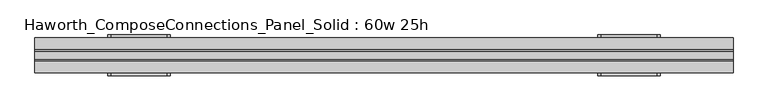
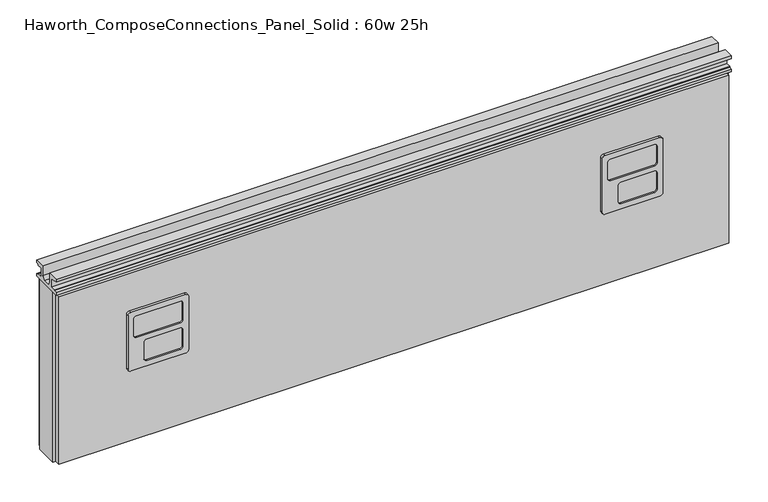
"""IFC4 building model written with IfcOpenShell, lengths in millimetres: furniture geometry, Haworth_ComposeConnections_Panel_Solid : 60w 25h."""

from ifc_helpers import new_model, si_unit, frame, origin, place, context, project, spatial, polyline, circle_curve, outline, extrude, source, transform, mapped, element, save
from ifc_brep_helpers import plane_surface, cylinder_surface, revolved_surface, advanced_brep


def haworth_composeconnections_panel_solid_60w_25h_3bed89e6(model_context):
    return source(origin(), model_context, "Body", "SolidModel", [
        advanced_brep(
        [(-594.4597098, 38.1, 546.1), (-600.8097098, 38.1, 539.75), (-600.8097098, 38.1, 412.75), (-594.4597098, 38.1, 406.4), (-470.6347098, 38.1, 406.4), (-464.2847098, 38.1, 412.75), (-464.2847098, 38.1, 539.75), (-470.6347098, 38.1, 546.1), (-594.4597098, 44.45, 546.1), (-470.6347098, 44.45, 546.1), (-464.2847098, 44.45, 539.75), (-464.2847098, 44.45, 412.75), (-470.6347098, 44.45, 406.4), (-594.4597098, 44.45, 406.4), (-600.8097098, 44.45, 412.75), (-600.8097098, 44.45, 539.75), (-581.7597098, 44.45, 533.4), (-588.1097098, 44.45, 527.05), (-588.1097098, 44.45, 488.95), (-581.7597098, 44.45, 482.6), (-483.3347098, 44.45, 482.6), (-476.9847098, 44.45, 488.95), (-476.9847098, 44.45, 527.05), (-483.3347098, 44.45, 533.4), (-581.7597098, 44.45, 469.9), (-588.1097098, 44.45, 463.55), (-588.1097098, 44.45, 425.45), (-581.7597098, 44.45, 419.1), (-507.1472098, 44.45, 419.1), (-500.7972098, 44.45, 425.45), (-500.7972098, 44.45, 463.55), (-507.1472098, 44.45, 469.9), (-581.7597098, 41.275, 533.4), (-483.3347098, 41.275, 533.4), (-476.9847098, 41.275, 527.05), (-476.9847098, 41.275, 488.95), (-483.3347098, 41.275, 482.6), (-581.7597098, 41.275, 482.6), (-588.1097098, 41.275, 488.95), (-588.1097098, 41.275, 527.05), (-581.7597098, 41.275, 469.9), (-507.1472098, 41.275, 469.9), (-500.7972098, 41.275, 463.55), (-500.7972098, 41.275, 425.45), (-507.1472098, 41.275, 419.1), (-581.7597098, 41.275, 419.1), (-588.1097098, 41.275, 425.45), (-588.1097098, 41.275, 463.55)],
        [
            (0, 1, circle_curve(frame((-594.4597098, 38.1, 539.75), z_axis=(0.0, -1.0, 0.0), x_axis=(1.0, 0.0, 0.0)), 6.35)),
            (1, 2),
            (2, 3, circle_curve(frame((-594.4597098, 38.1, 412.75), z_axis=(0.0, -1.0, 0.0), x_axis=(1.0, 0.0, 0.0)), 6.35)),
            (3, 4),
            (4, 5, circle_curve(frame((-470.6347098, 38.1, 412.75), z_axis=(0.0, -1.0, 0.0), x_axis=(1.0, 0.0, 0.0)), 6.35)),
            (5, 6),
            (6, 7, circle_curve(frame((-470.6347098, 38.1, 539.75), z_axis=(0.0, -1.0, 0.0), x_axis=(1.0, 0.0, 0.0)), 6.35)),
            (7, 0),
            (8, 9),
            (9, 10, circle_curve(frame((-470.6347098, 44.45, 539.75), z_axis=(0.0, 1.0, 0.0), x_axis=(1.0, 0.0, 0.0)), 6.35)),
            (10, 11),
            (11, 12, circle_curve(frame((-470.6347098, 44.45, 412.75), z_axis=(0.0, 1.0, 0.0), x_axis=(1.0, 0.0, 0.0)), 6.35)),
            (12, 13),
            (13, 14, circle_curve(frame((-594.4597098, 44.45, 412.75), z_axis=(0.0, 1.0, 0.0), x_axis=(1.0, 0.0, 0.0)), 6.35)),
            (14, 15),
            (15, 8, circle_curve(frame((-594.4597098, 44.45, 539.75), z_axis=(0.0, 1.0, 0.0), x_axis=(1.0, 0.0, 0.0)), 6.35)),
            (16, 17, circle_curve(frame((-581.7597098, 44.45, 527.05), z_axis=(0.0, -1.0, 0.0), x_axis=(1.0, 0.0, 0.0)), 6.35)),
            (17, 18),
            (18, 19, circle_curve(frame((-581.7597098, 44.45, 488.95), z_axis=(0.0, -1.0, 0.0), x_axis=(1.0, 0.0, 0.0)), 6.35)),
            (19, 20),
            (20, 21, circle_curve(frame((-483.3347098, 44.45, 488.95), z_axis=(0.0, -1.0, 0.0), x_axis=(1.0, 0.0, 0.0)), 6.35)),
            (21, 22),
            (22, 23, circle_curve(frame((-483.3347098, 44.45, 527.05), z_axis=(0.0, -1.0, 0.0), x_axis=(1.0, 0.0, 0.0)), 6.35)),
            (23, 16),
            (24, 25, circle_curve(frame((-581.7597098, 44.45, 463.55), z_axis=(0.0, -1.0, 0.0), x_axis=(1.0, 0.0, 0.0)), 6.35)),
            (25, 26),
            (26, 27, circle_curve(frame((-581.7597098, 44.45, 425.45), z_axis=(0.0, -1.0, 0.0), x_axis=(1.0, 0.0, 0.0)), 6.35)),
            (27, 28),
            (28, 29, circle_curve(frame((-507.1472098, 44.45, 425.45), z_axis=(0.0, -1.0, 0.0), x_axis=(1.0, 0.0, 0.0)), 6.35)),
            (29, 30),
            (30, 31, circle_curve(frame((-507.1472098, 44.45, 463.55), z_axis=(0.0, -1.0, 0.0), x_axis=(1.0, 0.0, 0.0)), 6.35)),
            (31, 24),
            (0, 8),
            (15, 1),
            (14, 2),
            (13, 3),
            (12, 4),
            (11, 5),
            (10, 6),
            (9, 7),
            (32, 33),
            (33, 34, circle_curve(frame((-483.3347098, 41.275, 527.05), z_axis=(0.0, 1.0, 0.0), x_axis=(1.0, 0.0, 0.0)), 6.35)),
            (34, 35),
            (35, 36, circle_curve(frame((-483.3347098, 41.275, 488.95), z_axis=(0.0, 1.0, 0.0), x_axis=(1.0, 0.0, 0.0)), 6.35)),
            (36, 37),
            (37, 38, circle_curve(frame((-581.7597098, 41.275, 488.95), z_axis=(0.0, 1.0, 0.0), x_axis=(1.0, 0.0, 0.0)), 6.35)),
            (38, 39),
            (39, 32, circle_curve(frame((-581.7597098, 41.275, 527.05), z_axis=(0.0, 1.0, 0.0), x_axis=(1.0, 0.0, 0.0)), 6.35)),
            (40, 41),
            (41, 42, circle_curve(frame((-507.1472098, 41.275, 463.55), z_axis=(0.0, 1.0, 0.0), x_axis=(1.0, 0.0, 0.0)), 6.35)),
            (42, 43),
            (43, 44, circle_curve(frame((-507.1472098, 41.275, 425.45), z_axis=(0.0, 1.0, 0.0), x_axis=(1.0, 0.0, 0.0)), 6.35)),
            (44, 45),
            (45, 46, circle_curve(frame((-581.7597098, 41.275, 425.45), z_axis=(0.0, 1.0, 0.0), x_axis=(1.0, 0.0, 0.0)), 6.35)),
            (46, 47),
            (47, 40, circle_curve(frame((-581.7597098, 41.275, 463.55), z_axis=(0.0, 1.0, 0.0), x_axis=(1.0, 0.0, 0.0)), 6.35)),
            (39, 17),
            (16, 32),
            (38, 18),
            (37, 19),
            (36, 20),
            (35, 21),
            (34, 22),
            (33, 23),
            (47, 25),
            (24, 40),
            (46, 26),
            (45, 27),
            (44, 28),
            (43, 29),
            (42, 30),
            (41, 31),
        ],
        [
            plane_surface(frame((-588.1097098, 38.1, 539.75), z_axis=(0.0, -1.0, 0.0), x_axis=(0.0, 0.0, 1.0))),
            plane_surface(frame((-588.1097098, 44.45, 539.75), z_axis=(0.0, 1.0, 0.0), x_axis=(0.0, 0.0, -1.0))),
            cylinder_surface(frame((-594.4597098, 44.45, 539.75), z_axis=(0.0, -1.0, 0.0), x_axis=(1.0, 0.0, 0.0)), 6.35),
            plane_surface(frame((-600.8097098, 38.1, 539.75), z_axis=(-1.0, 0.0, 0.0), x_axis=(0.0, 1.0, 0.0))),
            cylinder_surface(frame((-594.4597098, 44.45, 412.75), z_axis=(0.0, -1.0, 0.0), x_axis=(1.0, 0.0, 0.0)), 6.35),
            plane_surface(frame((-594.4597098, 38.1, 406.4), z_axis=(0.0, 0.0, -1.0), x_axis=(0.0, 1.0, 0.0))),
            cylinder_surface(frame((-470.6347098, 44.45, 412.75), z_axis=(0.0, -1.0, 0.0), x_axis=(1.0, 0.0, 0.0)), 6.35),
            plane_surface(frame((-464.2847098, 38.1, 412.75), z_axis=(1.0, 0.0, 0.0), x_axis=(0.0, 1.0, 0.0))),
            cylinder_surface(frame((-470.6347098, 44.45, 539.75), z_axis=(0.0, -1.0, 0.0), x_axis=(1.0, 0.0, 0.0)), 6.35),
            plane_surface(frame((-470.6347098, 38.1, 546.1), z_axis=(0.0, 0.0, 1.0), x_axis=(0.0, 1.0, 0.0))),
            plane_surface(frame((-575.4097098, 41.275, 527.05), z_axis=(0.0, 1.0, 0.0), x_axis=(0.0, 0.0, 1.0))),
            revolved_surface(polyline([(-575.4097098, 41.275, 527.05), (-575.4097098, 44.45, 527.05)]), (-581.7597098, 44.45, 527.05), (0.0, -1.0, 0.0)),
            plane_surface(frame((-588.1097098, 41.275, 527.05), z_axis=(1.0, 0.0, 0.0), x_axis=(0.0, 1.0, 0.0))),
            revolved_surface(polyline([(-575.4097098, 41.275, 488.95), (-575.4097098, 44.45, 488.95)]), (-581.7597098, 44.45, 488.95), (0.0, -1.0, 0.0)),
            plane_surface(frame((-581.7597098, 41.275, 482.6), z_axis=(0.0, 0.0, 1.0), x_axis=(0.0, 1.0, 0.0))),
            revolved_surface(polyline([(-476.98470979999996, 41.275, 488.95), (-476.98470979999996, 44.45, 488.95)]), (-483.3347098, 44.45, 488.95), (0.0, -1.0, 0.0)),
            plane_surface(frame((-476.9847098, 41.275, 488.95), z_axis=(-1.0, 0.0, 0.0), x_axis=(0.0, 1.0, 0.0))),
            revolved_surface(polyline([(-476.98470979999996, 41.275, 527.05), (-476.98470979999996, 44.45, 527.05)]), (-483.3347098, 44.45, 527.05), (0.0, -1.0, 0.0)),
            plane_surface(frame((-483.3347098, 41.275, 533.4), z_axis=(0.0, 0.0, -1.0), x_axis=(0.0, 1.0, 0.0))),
            revolved_surface(polyline([(-575.4097098, 41.275, 463.55), (-575.4097098, 44.45, 463.55)]), (-581.7597098, 44.45, 463.55), (0.0, -1.0, 0.0)),
            plane_surface(frame((-588.1097098, 41.275, 463.55), z_axis=(1.0, 0.0, 0.0), x_axis=(0.0, 1.0, 0.0))),
            revolved_surface(polyline([(-575.4097098, 41.275, 425.45), (-575.4097098, 44.45, 425.45)]), (-581.7597098, 44.45, 425.45), (0.0, -1.0, 0.0)),
            plane_surface(frame((-581.7597098, 41.275, 419.1), z_axis=(0.0, 0.0, 1.0), x_axis=(0.0, 1.0, 0.0))),
            revolved_surface(polyline([(-500.79720979999996, 41.275, 425.45), (-500.79720979999996, 44.45, 425.45)]), (-507.1472098, 44.45, 425.45), (0.0, -1.0, 0.0)),
            plane_surface(frame((-500.7972098, 41.275, 425.45), z_axis=(-1.0, 0.0, 0.0), x_axis=(0.0, 1.0, 0.0))),
            revolved_surface(polyline([(-500.79720979999996, 41.275, 463.55), (-500.79720979999996, 44.45, 463.55)]), (-507.1472098, 44.45, 463.55), (0.0, -1.0, 0.0)),
            plane_surface(frame((-507.1472098, 41.275, 469.9), z_axis=(0.0, 0.0, -1.0), x_axis=(0.0, 1.0, 0.0))),
        ],
        [
            (0, [[1, 2, 3, 4, 5, 6, 7, 8]]),
            (1, [[9, 10, 11, 12, 13, 14, 15, 16], [17, 18, 19, 20, 21, 22, 23, 24], [25, 26, 27, 28, 29, 30, 31, 32]]),
            (2, [[-1, 33, -16, 34]]),
            (3, [[-2, -34, -15, 35]]),
            (4, [[-3, -35, -14, 36]]),
            (5, [[-4, -36, -13, 37]]),
            (6, [[-5, -37, -12, 38]]),
            (7, [[-6, -38, -11, 39]]),
            (8, [[-7, -39, -10, 40]]),
            (9, [[-8, -40, -9, -33]]),
            (10, [[41, 42, 43, 44, 45, 46, 47, 48]]),
            (10, [[49, 50, 51, 52, 53, 54, 55, 56]]),
            (11, [[-48, 57, -17, 58]]),
            (12, [[-47, 59, -18, -57]]),
            (13, [[-46, 60, -19, -59]]),
            (14, [[-45, 61, -20, -60]]),
            (15, [[-44, 62, -21, -61]]),
            (16, [[-43, 63, -22, -62]]),
            (17, [[-42, 64, -23, -63]]),
            (18, [[-41, -58, -24, -64]]),
            (19, [[-56, 65, -25, 66]]),
            (20, [[-55, 67, -26, -65]]),
            (21, [[-54, 68, -27, -67]]),
            (22, [[-53, 69, -28, -68]]),
            (23, [[-52, 70, -29, -69]]),
            (24, [[-51, 71, -30, -70]]),
            (25, [[-50, 72, -31, -71]]),
            (26, [[-49, -66, -32, -72]]),
        ],
    ),
        advanced_brep(
        [(475.5152902, 38.1, 546.1), (469.1652902, 38.1, 539.75), (469.1652902, 38.1, 412.75), (475.5152902, 38.1, 406.4), (599.3402902, 38.1, 406.4), (605.6902902, 38.1, 412.75), (605.6902902, 38.1, 539.75), (599.3402902, 38.1, 546.1), (475.5152902, 44.45, 546.1), (599.3402902, 44.45, 546.1), (605.6902902, 44.45, 539.75), (605.6902902, 44.45, 412.75), (599.3402902, 44.45, 406.4), (475.5152902, 44.45, 406.4), (469.1652902, 44.45, 412.75), (469.1652902, 44.45, 539.75), (488.2152902, 44.45, 533.4), (481.8652902, 44.45, 527.05), (481.8652902, 44.45, 488.95), (488.2152902, 44.45, 482.6), (586.6402902, 44.45, 482.6), (592.9902902, 44.45, 488.95), (592.9902902, 44.45, 527.05), (586.6402902, 44.45, 533.4), (488.2152902, 44.45, 469.9), (481.8652902, 44.45, 463.55), (481.8652902, 44.45, 425.45), (488.2152902, 44.45, 419.1), (562.8277902, 44.45, 419.1), (569.1777902, 44.45, 425.45), (569.1777902, 44.45, 463.55), (562.8277902, 44.45, 469.9), (488.2152902, 41.275, 533.4), (586.6402902, 41.275, 533.4), (592.9902902, 41.275, 527.05), (592.9902902, 41.275, 488.95), (586.6402902, 41.275, 482.6), (488.2152902, 41.275, 482.6), (481.8652902, 41.275, 488.95), (481.8652902, 41.275, 527.05), (488.2152902, 41.275, 469.9), (562.8277902, 41.275, 469.9), (569.1777902, 41.275, 463.55), (569.1777902, 41.275, 425.45), (562.8277902, 41.275, 419.1), (488.2152902, 41.275, 419.1), (481.8652902, 41.275, 425.45), (481.8652902, 41.275, 463.55)],
        [
            (0, 1, circle_curve(frame((475.5152902, 38.1, 539.75), z_axis=(0.0, -1.0, 0.0), x_axis=(1.0, 0.0, 0.0)), 6.35)),
            (1, 2),
            (2, 3, circle_curve(frame((475.5152902, 38.1, 412.75), z_axis=(0.0, -1.0, 0.0), x_axis=(1.0, 0.0, 0.0)), 6.35)),
            (3, 4),
            (4, 5, circle_curve(frame((599.3402902, 38.1, 412.75), z_axis=(0.0, -1.0, 0.0), x_axis=(1.0, 0.0, 0.0)), 6.35)),
            (5, 6),
            (6, 7, circle_curve(frame((599.3402902, 38.1, 539.75), z_axis=(0.0, -1.0, 0.0), x_axis=(1.0, 0.0, 0.0)), 6.35)),
            (7, 0),
            (8, 9),
            (9, 10, circle_curve(frame((599.3402902, 44.45, 539.75), z_axis=(0.0, 1.0, 0.0), x_axis=(1.0, 0.0, 0.0)), 6.35)),
            (10, 11),
            (11, 12, circle_curve(frame((599.3402902, 44.45, 412.75), z_axis=(0.0, 1.0, 0.0), x_axis=(1.0, 0.0, 0.0)), 6.35)),
            (12, 13),
            (13, 14, circle_curve(frame((475.5152902, 44.45, 412.75), z_axis=(0.0, 1.0, 0.0), x_axis=(1.0, 0.0, 0.0)), 6.35)),
            (14, 15),
            (15, 8, circle_curve(frame((475.5152902, 44.45, 539.75), z_axis=(0.0, 1.0, 0.0), x_axis=(1.0, 0.0, 0.0)), 6.35)),
            (16, 17, circle_curve(frame((488.2152902, 44.45, 527.05), z_axis=(0.0, -1.0, 0.0), x_axis=(1.0, 0.0, 0.0)), 6.35)),
            (17, 18),
            (18, 19, circle_curve(frame((488.2152902, 44.45, 488.95), z_axis=(0.0, -1.0, 0.0), x_axis=(1.0, 0.0, 0.0)), 6.35)),
            (19, 20),
            (20, 21, circle_curve(frame((586.6402902, 44.45, 488.95), z_axis=(0.0, -1.0, 0.0), x_axis=(1.0, 0.0, 0.0)), 6.35)),
            (21, 22),
            (22, 23, circle_curve(frame((586.6402902, 44.45, 527.05), z_axis=(0.0, -1.0, 0.0), x_axis=(1.0, 0.0, 0.0)), 6.35)),
            (23, 16),
            (24, 25, circle_curve(frame((488.2152902, 44.45, 463.55), z_axis=(0.0, -1.0, 0.0), x_axis=(1.0, 0.0, 0.0)), 6.35)),
            (25, 26),
            (26, 27, circle_curve(frame((488.2152902, 44.45, 425.45), z_axis=(0.0, -1.0, 0.0), x_axis=(1.0, 0.0, 0.0)), 6.35)),
            (27, 28),
            (28, 29, circle_curve(frame((562.8277902, 44.45, 425.45), z_axis=(0.0, -1.0, 0.0), x_axis=(1.0, 0.0, 0.0)), 6.35)),
            (29, 30),
            (30, 31, circle_curve(frame((562.8277902, 44.45, 463.55), z_axis=(0.0, -1.0, 0.0), x_axis=(1.0, 0.0, 0.0)), 6.35)),
            (31, 24),
            (0, 8),
            (15, 1),
            (14, 2),
            (13, 3),
            (12, 4),
            (11, 5),
            (10, 6),
            (9, 7),
            (32, 33),
            (33, 34, circle_curve(frame((586.6402902, 41.275, 527.05), z_axis=(0.0, 1.0, 0.0), x_axis=(1.0, 0.0, 0.0)), 6.35)),
            (34, 35),
            (35, 36, circle_curve(frame((586.6402902, 41.275, 488.95), z_axis=(0.0, 1.0, 0.0), x_axis=(1.0, 0.0, 0.0)), 6.35)),
            (36, 37),
            (37, 38, circle_curve(frame((488.2152902, 41.275, 488.95), z_axis=(0.0, 1.0, 0.0), x_axis=(1.0, 0.0, 0.0)), 6.35)),
            (38, 39),
            (39, 32, circle_curve(frame((488.2152902, 41.275, 527.05), z_axis=(0.0, 1.0, 0.0), x_axis=(1.0, 0.0, 0.0)), 6.35)),
            (40, 41),
            (41, 42, circle_curve(frame((562.8277902, 41.275, 463.55), z_axis=(0.0, 1.0, 0.0), x_axis=(1.0, 0.0, 0.0)), 6.35)),
            (42, 43),
            (43, 44, circle_curve(frame((562.8277902, 41.275, 425.45), z_axis=(0.0, 1.0, 0.0), x_axis=(1.0, 0.0, 0.0)), 6.35)),
            (44, 45),
            (45, 46, circle_curve(frame((488.2152902, 41.275, 425.45), z_axis=(0.0, 1.0, 0.0), x_axis=(1.0, 0.0, 0.0)), 6.35)),
            (46, 47),
            (47, 40, circle_curve(frame((488.2152902, 41.275, 463.55), z_axis=(0.0, 1.0, 0.0), x_axis=(1.0, 0.0, 0.0)), 6.35)),
            (39, 17),
            (16, 32),
            (38, 18),
            (37, 19),
            (36, 20),
            (35, 21),
            (34, 22),
            (33, 23),
            (47, 25),
            (24, 40),
            (46, 26),
            (45, 27),
            (44, 28),
            (43, 29),
            (42, 30),
            (41, 31),
        ],
        [
            plane_surface(frame((481.8652902, 38.1, 539.75), z_axis=(0.0, -1.0, 0.0), x_axis=(0.0, 0.0, 1.0))),
            plane_surface(frame((481.8652902, 44.45, 539.75), z_axis=(0.0, 1.0, 0.0), x_axis=(0.0, 0.0, -1.0))),
            cylinder_surface(frame((475.5152902, 44.45, 539.75), z_axis=(0.0, -1.0, 0.0), x_axis=(1.0, 0.0, 0.0)), 6.35),
            plane_surface(frame((469.1652902, 38.1, 539.75), z_axis=(-1.0, 0.0, 0.0), x_axis=(0.0, 1.0, 0.0))),
            cylinder_surface(frame((475.5152902, 44.45, 412.75), z_axis=(0.0, -1.0, 0.0), x_axis=(1.0, 0.0, 0.0)), 6.35),
            plane_surface(frame((475.5152902, 38.1, 406.4), z_axis=(0.0, 0.0, -1.0), x_axis=(0.0, 1.0, 0.0))),
            cylinder_surface(frame((599.3402902, 44.45, 412.75), z_axis=(0.0, -1.0, 0.0), x_axis=(1.0, 0.0, 0.0)), 6.35),
            plane_surface(frame((605.6902902, 38.1, 412.75), z_axis=(1.0, 0.0, 0.0), x_axis=(0.0, 1.0, 0.0))),
            cylinder_surface(frame((599.3402902, 44.45, 539.75), z_axis=(0.0, -1.0, 0.0), x_axis=(1.0, 0.0, 0.0)), 6.35),
            plane_surface(frame((599.3402902, 38.1, 546.1), z_axis=(0.0, 0.0, 1.0), x_axis=(0.0, 1.0, 0.0))),
            plane_surface(frame((494.5652902, 41.275, 527.05), z_axis=(0.0, 1.0, 0.0), x_axis=(0.0, 0.0, 1.0))),
            revolved_surface(polyline([(494.56529020000005, 41.275, 527.05), (494.56529020000005, 44.45, 527.05)]), (488.2152902, 44.45, 527.05), (0.0, -1.0, 0.0)),
            plane_surface(frame((481.8652902, 41.275, 527.05), z_axis=(1.0, 0.0, 0.0), x_axis=(0.0, 1.0, 0.0))),
            revolved_surface(polyline([(494.56529020000005, 41.275, 488.95), (494.56529020000005, 44.45, 488.95)]), (488.2152902, 44.45, 488.95), (0.0, -1.0, 0.0)),
            plane_surface(frame((488.2152902, 41.275, 482.6), z_axis=(0.0, 0.0, 1.0), x_axis=(0.0, 1.0, 0.0))),
            revolved_surface(polyline([(592.9902902, 41.275, 488.95), (592.9902902, 44.45, 488.95)]), (586.6402902, 44.45, 488.95), (0.0, -1.0, 0.0)),
            plane_surface(frame((592.9902902, 41.275, 488.95), z_axis=(-1.0, 0.0, 0.0), x_axis=(0.0, 1.0, 0.0))),
            revolved_surface(polyline([(592.9902902, 41.275, 527.05), (592.9902902, 44.45, 527.05)]), (586.6402902, 44.45, 527.05), (0.0, -1.0, 0.0)),
            plane_surface(frame((586.6402902, 41.275, 533.4), z_axis=(0.0, 0.0, -1.0), x_axis=(0.0, 1.0, 0.0))),
            revolved_surface(polyline([(494.56529020000005, 41.275, 463.55), (494.56529020000005, 44.45, 463.55)]), (488.2152902, 44.45, 463.55), (0.0, -1.0, 0.0)),
            plane_surface(frame((481.8652902, 41.275, 463.55), z_axis=(1.0, 0.0, 0.0), x_axis=(0.0, 1.0, 0.0))),
            revolved_surface(polyline([(494.56529020000005, 41.275, 425.45), (494.56529020000005, 44.45, 425.45)]), (488.2152902, 44.45, 425.45), (0.0, -1.0, 0.0)),
            plane_surface(frame((488.2152902, 41.275, 419.1), z_axis=(0.0, 0.0, 1.0), x_axis=(0.0, 1.0, 0.0))),
            revolved_surface(polyline([(569.1777902, 41.275, 425.45), (569.1777902, 44.45, 425.45)]), (562.8277902, 44.45, 425.45), (0.0, -1.0, 0.0)),
            plane_surface(frame((569.1777902, 41.275, 425.45), z_axis=(-1.0, 0.0, 0.0), x_axis=(0.0, 1.0, 0.0))),
            revolved_surface(polyline([(569.1777902, 41.275, 463.55), (569.1777902, 44.45, 463.55)]), (562.8277902, 44.45, 463.55), (0.0, -1.0, 0.0)),
            plane_surface(frame((562.8277902, 41.275, 469.9), z_axis=(0.0, 0.0, -1.0), x_axis=(0.0, 1.0, 0.0))),
        ],
        [
            (0, [[1, 2, 3, 4, 5, 6, 7, 8]]),
            (1, [[9, 10, 11, 12, 13, 14, 15, 16], [17, 18, 19, 20, 21, 22, 23, 24], [25, 26, 27, 28, 29, 30, 31, 32]]),
            (2, [[-1, 33, -16, 34]]),
            (3, [[-2, -34, -15, 35]]),
            (4, [[-3, -35, -14, 36]]),
            (5, [[-4, -36, -13, 37]]),
            (6, [[-5, -37, -12, 38]]),
            (7, [[-6, -38, -11, 39]]),
            (8, [[-7, -39, -10, 40]]),
            (9, [[-8, -40, -9, -33]]),
            (10, [[41, 42, 43, 44, 45, 46, 47, 48]]),
            (10, [[49, 50, 51, 52, 53, 54, 55, 56]]),
            (11, [[-48, 57, -17, 58]]),
            (12, [[-47, 59, -18, -57]]),
            (13, [[-46, 60, -19, -59]]),
            (14, [[-45, 61, -20, -60]]),
            (15, [[-44, 62, -21, -61]]),
            (16, [[-43, 63, -22, -62]]),
            (17, [[-42, 64, -23, -63]]),
            (18, [[-41, -58, -24, -64]]),
            (19, [[-56, 65, -25, 66]]),
            (20, [[-55, 67, -26, -65]]),
            (21, [[-54, 68, -27, -67]]),
            (22, [[-53, 69, -28, -68]]),
            (23, [[-52, 70, -29, -69]]),
            (24, [[-51, 71, -30, -70]]),
            (25, [[-50, 72, -31, -71]]),
            (26, [[-49, -66, -32, -72]]),
        ],
    ),
        advanced_brep(
        [(-470.6347098, -38.1, 546.1), (-464.2847098, -38.1, 539.75), (-464.2847098, -38.1, 412.75), (-470.6347098, -38.1, 406.4), (-594.4597098, -38.1, 406.4), (-600.8097098, -38.1, 412.75), (-600.8097098, -38.1, 539.75), (-594.4597098, -38.1, 546.1), (-470.6347098, -44.45, 546.1), (-594.4597098, -44.45, 546.1), (-600.8097098, -44.45, 539.75), (-600.8097098, -44.45, 412.75), (-594.4597098, -44.45, 406.4), (-470.6347098, -44.45, 406.4), (-464.2847098, -44.45, 412.75), (-464.2847098, -44.45, 539.75), (-483.3347098, -44.45, 533.4), (-476.9847098, -44.45, 527.05), (-476.9847098, -44.45, 488.95), (-483.3347098, -44.45, 482.6), (-581.7597098, -44.45, 482.6), (-588.1097098, -44.45, 488.95), (-588.1097098, -44.45, 527.05), (-581.7597098, -44.45, 533.4), (-483.3347098, -44.45, 469.9), (-476.9847098, -44.45, 463.55), (-476.9847098, -44.45, 425.45), (-483.3347098, -44.45, 419.1), (-557.9472098, -44.45, 419.1), (-564.2972098, -44.45, 425.45), (-564.2972098, -44.45, 463.55), (-557.9472098, -44.45, 469.9), (-483.3347098, -41.275, 533.4), (-581.7597098, -41.275, 533.4), (-588.1097098, -41.275, 527.05), (-588.1097098, -41.275, 488.95), (-581.7597098, -41.275, 482.6), (-483.3347098, -41.275, 482.6), (-476.9847098, -41.275, 488.95), (-476.9847098, -41.275, 527.05), (-483.3347098, -41.275, 469.9), (-557.9472098, -41.275, 469.9), (-564.2972098, -41.275, 463.55), (-564.2972098, -41.275, 425.45), (-557.9472098, -41.275, 419.1), (-483.3347098, -41.275, 419.1), (-476.9847098, -41.275, 425.45), (-476.9847098, -41.275, 463.55)],
        [
            (0, 1, circle_curve(frame((-470.6347098, -38.1, 539.75), z_axis=(0.0, 1.0, 0.0), x_axis=(-1.0, 0.0, 0.0)), 6.35)),
            (1, 2),
            (2, 3, circle_curve(frame((-470.6347098, -38.1, 412.75), z_axis=(0.0, 1.0, 0.0), x_axis=(-1.0, 0.0, 0.0)), 6.35)),
            (3, 4),
            (4, 5, circle_curve(frame((-594.4597098, -38.1, 412.75), z_axis=(0.0, 1.0, 0.0), x_axis=(-1.0, 0.0, 0.0)), 6.35)),
            (5, 6),
            (6, 7, circle_curve(frame((-594.4597098, -38.1, 539.75), z_axis=(0.0, 1.0, 0.0), x_axis=(-1.0, 0.0, 0.0)), 6.35)),
            (7, 0),
            (8, 9),
            (9, 10, circle_curve(frame((-594.4597098, -44.45, 539.75), z_axis=(0.0, -1.0, 0.0), x_axis=(-1.0, 0.0, 0.0)), 6.35)),
            (10, 11),
            (11, 12, circle_curve(frame((-594.4597098, -44.45, 412.75), z_axis=(0.0, -1.0, 0.0), x_axis=(-1.0, 0.0, 0.0)), 6.35)),
            (12, 13),
            (13, 14, circle_curve(frame((-470.6347098, -44.45, 412.75), z_axis=(0.0, -1.0, 0.0), x_axis=(-1.0, 0.0, 0.0)), 6.35)),
            (14, 15),
            (15, 8, circle_curve(frame((-470.6347098, -44.45, 539.75), z_axis=(0.0, -1.0, 0.0), x_axis=(-1.0, 0.0, 0.0)), 6.35)),
            (16, 17, circle_curve(frame((-483.3347098, -44.45, 527.05), z_axis=(0.0, 1.0, 0.0), x_axis=(-1.0, 0.0, 0.0)), 6.35)),
            (17, 18),
            (18, 19, circle_curve(frame((-483.3347098, -44.45, 488.95), z_axis=(0.0, 1.0, 0.0), x_axis=(-1.0, 0.0, 0.0)), 6.35)),
            (19, 20),
            (20, 21, circle_curve(frame((-581.7597098, -44.45, 488.95), z_axis=(0.0, 1.0, 0.0), x_axis=(-1.0, 0.0, 0.0)), 6.35)),
            (21, 22),
            (22, 23, circle_curve(frame((-581.7597098, -44.45, 527.05), z_axis=(0.0, 1.0, 0.0), x_axis=(-1.0, 0.0, 0.0)), 6.35)),
            (23, 16),
            (24, 25, circle_curve(frame((-483.3347098, -44.45, 463.55), z_axis=(0.0, 1.0, 0.0), x_axis=(-1.0, 0.0, 0.0)), 6.35)),
            (25, 26),
            (26, 27, circle_curve(frame((-483.3347098, -44.45, 425.45), z_axis=(0.0, 1.0, 0.0), x_axis=(-1.0, 0.0, 0.0)), 6.35)),
            (27, 28),
            (28, 29, circle_curve(frame((-557.9472098, -44.45, 425.45), z_axis=(0.0, 1.0, 0.0), x_axis=(-1.0, 0.0, 0.0)), 6.35)),
            (29, 30),
            (30, 31, circle_curve(frame((-557.9472098, -44.45, 463.55), z_axis=(0.0, 1.0, 0.0), x_axis=(-1.0, 0.0, 0.0)), 6.35)),
            (31, 24),
            (0, 8),
            (15, 1),
            (14, 2),
            (13, 3),
            (12, 4),
            (11, 5),
            (10, 6),
            (9, 7),
            (32, 33),
            (33, 34, circle_curve(frame((-581.7597098, -41.275, 527.05), z_axis=(0.0, -1.0, 0.0), x_axis=(-1.0, 0.0, 0.0)), 6.35)),
            (34, 35),
            (35, 36, circle_curve(frame((-581.7597098, -41.275, 488.95), z_axis=(0.0, -1.0, 0.0), x_axis=(-1.0, 0.0, 0.0)), 6.35)),
            (36, 37),
            (37, 38, circle_curve(frame((-483.3347098, -41.275, 488.95), z_axis=(0.0, -1.0, 0.0), x_axis=(-1.0, 0.0, 0.0)), 6.35)),
            (38, 39),
            (39, 32, circle_curve(frame((-483.3347098, -41.275, 527.05), z_axis=(0.0, -1.0, 0.0), x_axis=(-1.0, 0.0, 0.0)), 6.35)),
            (40, 41),
            (41, 42, circle_curve(frame((-557.9472098, -41.275, 463.55), z_axis=(0.0, -1.0, 0.0), x_axis=(-1.0, 0.0, 0.0)), 6.35)),
            (42, 43),
            (43, 44, circle_curve(frame((-557.9472098, -41.275, 425.45), z_axis=(0.0, -1.0, 0.0), x_axis=(-1.0, 0.0, 0.0)), 6.35)),
            (44, 45),
            (45, 46, circle_curve(frame((-483.3347098, -41.275, 425.45), z_axis=(0.0, -1.0, 0.0), x_axis=(-1.0, 0.0, 0.0)), 6.35)),
            (46, 47),
            (47, 40, circle_curve(frame((-483.3347098, -41.275, 463.55), z_axis=(0.0, -1.0, 0.0), x_axis=(-1.0, 0.0, 0.0)), 6.35)),
            (39, 17),
            (16, 32),
            (38, 18),
            (37, 19),
            (36, 20),
            (35, 21),
            (34, 22),
            (33, 23),
            (47, 25),
            (24, 40),
            (46, 26),
            (45, 27),
            (44, 28),
            (43, 29),
            (42, 30),
            (41, 31),
        ],
        [
            plane_surface(frame((-476.9847098, -38.1, 539.75), z_axis=(0.0, 1.0, 0.0), x_axis=(0.0, 0.0, 1.0))),
            plane_surface(frame((-476.9847098, -44.45, 539.75), z_axis=(0.0, -1.0, 0.0), x_axis=(0.0, 0.0, -1.0))),
            cylinder_surface(frame((-470.6347098, -44.45, 539.75), z_axis=(0.0, 1.0, 0.0), x_axis=(-1.0, 0.0, 0.0)), 6.35),
            plane_surface(frame((-464.2847098, -38.1, 539.75), z_axis=(1.0, 0.0, 0.0), x_axis=(0.0, -1.0, 0.0))),
            cylinder_surface(frame((-470.6347098, -44.45, 412.75), z_axis=(0.0, 1.0, 0.0), x_axis=(-1.0, 0.0, 0.0)), 6.35),
            plane_surface(frame((-470.6347098, -38.1, 406.4), z_axis=(0.0, 0.0, -1.0), x_axis=(0.0, -1.0, 0.0))),
            cylinder_surface(frame((-594.4597098, -44.45, 412.75), z_axis=(0.0, 1.0, 0.0), x_axis=(-1.0, 0.0, 0.0)), 6.35),
            plane_surface(frame((-600.8097098, -38.1, 412.75), z_axis=(-1.0, 0.0, 0.0), x_axis=(0.0, -1.0, 0.0))),
            cylinder_surface(frame((-594.4597098, -44.45, 539.75), z_axis=(0.0, 1.0, 0.0), x_axis=(-1.0, 0.0, 0.0)), 6.35),
            plane_surface(frame((-594.4597098, -38.1, 546.1), z_axis=(0.0, 0.0, 1.0), x_axis=(0.0, -1.0, 0.0))),
            plane_surface(frame((-489.6847098, -41.275, 527.05), z_axis=(0.0, -1.0, 0.0), x_axis=(0.0, 0.0, 1.0))),
            revolved_surface(polyline([(-489.6847098, -41.275, 527.05), (-489.6847098, -44.45, 527.05)]), (-483.3347098, -44.45, 527.05), (0.0, 1.0, 0.0)),
            plane_surface(frame((-476.9847098, -41.275, 527.05), z_axis=(-1.0, 0.0, 0.0), x_axis=(0.0, -1.0, 0.0))),
            revolved_surface(polyline([(-489.6847098, -41.275, 488.95), (-489.6847098, -44.45, 488.95)]), (-483.3347098, -44.45, 488.95), (0.0, 1.0, 0.0)),
            plane_surface(frame((-483.3347098, -41.275, 482.6), z_axis=(0.0, 0.0, 1.0), x_axis=(0.0, -1.0, 0.0))),
            revolved_surface(polyline([(-588.1097098, -41.275, 488.95), (-588.1097098, -44.45, 488.95)]), (-581.7597098, -44.45, 488.95), (0.0, 1.0, 0.0)),
            plane_surface(frame((-588.1097098, -41.275, 488.95), z_axis=(1.0, 0.0, 0.0), x_axis=(0.0, -1.0, 0.0))),
            revolved_surface(polyline([(-588.1097098, -41.275, 527.05), (-588.1097098, -44.45, 527.05)]), (-581.7597098, -44.45, 527.05), (0.0, 1.0, 0.0)),
            plane_surface(frame((-581.7597098, -41.275, 533.4), z_axis=(0.0, 0.0, -1.0), x_axis=(0.0, -1.0, 0.0))),
            revolved_surface(polyline([(-489.6847098, -41.275, 463.55), (-489.6847098, -44.45, 463.55)]), (-483.3347098, -44.45, 463.55), (0.0, 1.0, 0.0)),
            plane_surface(frame((-476.9847098, -41.275, 463.55), z_axis=(-1.0, 0.0, 0.0), x_axis=(0.0, -1.0, 0.0))),
            revolved_surface(polyline([(-489.6847098, -41.275, 425.45), (-489.6847098, -44.45, 425.45)]), (-483.3347098, -44.45, 425.45), (0.0, 1.0, 0.0)),
            plane_surface(frame((-483.3347098, -41.275, 419.1), z_axis=(0.0, 0.0, 1.0), x_axis=(0.0, -1.0, 0.0))),
            revolved_surface(polyline([(-564.2972098, -41.275, 425.45), (-564.2972098, -44.45, 425.45)]), (-557.9472098, -44.45, 425.45), (0.0, 1.0, 0.0)),
            plane_surface(frame((-564.2972098, -41.275, 425.45), z_axis=(1.0, 0.0, 0.0), x_axis=(0.0, -1.0, 0.0))),
            revolved_surface(polyline([(-564.2972098, -41.275, 463.55), (-564.2972098, -44.45, 463.55)]), (-557.9472098, -44.45, 463.55), (0.0, 1.0, 0.0)),
            plane_surface(frame((-557.9472098, -41.275, 469.9), z_axis=(0.0, 0.0, -1.0), x_axis=(0.0, -1.0, 0.0))),
        ],
        [
            (0, [[1, 2, 3, 4, 5, 6, 7, 8]]),
            (1, [[9, 10, 11, 12, 13, 14, 15, 16], [17, 18, 19, 20, 21, 22, 23, 24], [25, 26, 27, 28, 29, 30, 31, 32]]),
            (2, [[-1, 33, -16, 34]]),
            (3, [[-2, -34, -15, 35]]),
            (4, [[-3, -35, -14, 36]]),
            (5, [[-4, -36, -13, 37]]),
            (6, [[-5, -37, -12, 38]]),
            (7, [[-6, -38, -11, 39]]),
            (8, [[-7, -39, -10, 40]]),
            (9, [[-8, -40, -9, -33]]),
            (10, [[41, 42, 43, 44, 45, 46, 47, 48]]),
            (10, [[49, 50, 51, 52, 53, 54, 55, 56]]),
            (11, [[-48, 57, -17, 58]]),
            (12, [[-47, 59, -18, -57]]),
            (13, [[-46, 60, -19, -59]]),
            (14, [[-45, 61, -20, -60]]),
            (15, [[-44, 62, -21, -61]]),
            (16, [[-43, 63, -22, -62]]),
            (17, [[-42, 64, -23, -63]]),
            (18, [[-41, -58, -24, -64]]),
            (19, [[-56, 65, -25, 66]]),
            (20, [[-55, 67, -26, -65]]),
            (21, [[-54, 68, -27, -67]]),
            (22, [[-53, 69, -28, -68]]),
            (23, [[-52, 70, -29, -69]]),
            (24, [[-51, 71, -30, -70]]),
            (25, [[-50, 72, -31, -71]]),
            (26, [[-49, -66, -32, -72]]),
        ],
    ),
        advanced_brep(
        [(599.3402902, -38.1, 546.1), (605.6902902, -38.1, 539.75), (605.6902902, -38.1, 412.75), (599.3402902, -38.1, 406.4), (475.5152902, -38.1, 406.4), (469.1652902, -38.1, 412.75), (469.1652902, -38.1, 539.75), (475.5152902, -38.1, 546.1), (599.3402902, -44.45, 546.1), (475.5152902, -44.45, 546.1), (469.1652902, -44.45, 539.75), (469.1652902, -44.45, 412.75), (475.5152902, -44.45, 406.4), (599.3402902, -44.45, 406.4), (605.6902902, -44.45, 412.75), (605.6902902, -44.45, 539.75), (586.6402902, -44.45, 533.4), (592.9902902, -44.45, 527.05), (592.9902902, -44.45, 488.95), (586.6402902, -44.45, 482.6), (488.2152902, -44.45, 482.6), (481.8652902, -44.45, 488.95), (481.8652902, -44.45, 527.05), (488.2152902, -44.45, 533.4), (586.6402902, -44.45, 469.9), (592.9902902, -44.45, 463.55), (592.9902902, -44.45, 425.45), (586.6402902, -44.45, 419.1), (512.0277902, -44.45, 419.1), (505.6777902, -44.45, 425.45), (505.6777902, -44.45, 463.55), (512.0277902, -44.45, 469.9), (586.6402902, -41.275, 533.4), (488.2152902, -41.275, 533.4), (481.8652902, -41.275, 527.05), (481.8652902, -41.275, 488.95), (488.2152902, -41.275, 482.6), (586.6402902, -41.275, 482.6), (592.9902902, -41.275, 488.95), (592.9902902, -41.275, 527.05), (586.6402902, -41.275, 469.9), (512.0277902, -41.275, 469.9), (505.6777902, -41.275, 463.55), (505.6777902, -41.275, 425.45), (512.0277902, -41.275, 419.1), (586.6402902, -41.275, 419.1), (592.9902902, -41.275, 425.45), (592.9902902, -41.275, 463.55)],
        [
            (0, 1, circle_curve(frame((599.3402902, -38.1, 539.75), z_axis=(0.0, 1.0, 0.0), x_axis=(-1.0, 0.0, 0.0)), 6.35)),
            (1, 2),
            (2, 3, circle_curve(frame((599.3402902, -38.1, 412.75), z_axis=(0.0, 1.0, 0.0), x_axis=(-1.0, 0.0, 0.0)), 6.35)),
            (3, 4),
            (4, 5, circle_curve(frame((475.5152902, -38.1, 412.75), z_axis=(0.0, 1.0, 0.0), x_axis=(-1.0, 0.0, 0.0)), 6.35)),
            (5, 6),
            (6, 7, circle_curve(frame((475.5152902, -38.1, 539.75), z_axis=(0.0, 1.0, 0.0), x_axis=(-1.0, 0.0, 0.0)), 6.35)),
            (7, 0),
            (8, 9),
            (9, 10, circle_curve(frame((475.5152902, -44.45, 539.75), z_axis=(0.0, -1.0, 0.0), x_axis=(-1.0, 0.0, 0.0)), 6.35)),
            (10, 11),
            (11, 12, circle_curve(frame((475.5152902, -44.45, 412.75), z_axis=(0.0, -1.0, 0.0), x_axis=(-1.0, 0.0, 0.0)), 6.35)),
            (12, 13),
            (13, 14, circle_curve(frame((599.3402902, -44.45, 412.75), z_axis=(0.0, -1.0, 0.0), x_axis=(-1.0, 0.0, 0.0)), 6.35)),
            (14, 15),
            (15, 8, circle_curve(frame((599.3402902, -44.45, 539.75), z_axis=(0.0, -1.0, 0.0), x_axis=(-1.0, 0.0, 0.0)), 6.35)),
            (16, 17, circle_curve(frame((586.6402902, -44.45, 527.05), z_axis=(0.0, 1.0, 0.0), x_axis=(-1.0, 0.0, 0.0)), 6.35)),
            (17, 18),
            (18, 19, circle_curve(frame((586.6402902, -44.45, 488.95), z_axis=(0.0, 1.0, 0.0), x_axis=(-1.0, 0.0, 0.0)), 6.35)),
            (19, 20),
            (20, 21, circle_curve(frame((488.2152902, -44.45, 488.95), z_axis=(0.0, 1.0, 0.0), x_axis=(-1.0, 0.0, 0.0)), 6.35)),
            (21, 22),
            (22, 23, circle_curve(frame((488.2152902, -44.45, 527.05), z_axis=(0.0, 1.0, 0.0), x_axis=(-1.0, 0.0, 0.0)), 6.35)),
            (23, 16),
            (24, 25, circle_curve(frame((586.6402902, -44.45, 463.55), z_axis=(0.0, 1.0, 0.0), x_axis=(-1.0, 0.0, 0.0)), 6.35)),
            (25, 26),
            (26, 27, circle_curve(frame((586.6402902, -44.45, 425.45), z_axis=(0.0, 1.0, 0.0), x_axis=(-1.0, 0.0, 0.0)), 6.35)),
            (27, 28),
            (28, 29, circle_curve(frame((512.0277902, -44.45, 425.45), z_axis=(0.0, 1.0, 0.0), x_axis=(-1.0, 0.0, 0.0)), 6.35)),
            (29, 30),
            (30, 31, circle_curve(frame((512.0277902, -44.45, 463.55), z_axis=(0.0, 1.0, 0.0), x_axis=(-1.0, 0.0, 0.0)), 6.35)),
            (31, 24),
            (0, 8),
            (15, 1),
            (14, 2),
            (13, 3),
            (12, 4),
            (11, 5),
            (10, 6),
            (9, 7),
            (32, 33),
            (33, 34, circle_curve(frame((488.2152902, -41.275, 527.05), z_axis=(0.0, -1.0, 0.0), x_axis=(-1.0, 0.0, 0.0)), 6.35)),
            (34, 35),
            (35, 36, circle_curve(frame((488.2152902, -41.275, 488.95), z_axis=(0.0, -1.0, 0.0), x_axis=(-1.0, 0.0, 0.0)), 6.35)),
            (36, 37),
            (37, 38, circle_curve(frame((586.6402902, -41.275, 488.95), z_axis=(0.0, -1.0, 0.0), x_axis=(-1.0, 0.0, 0.0)), 6.35)),
            (38, 39),
            (39, 32, circle_curve(frame((586.6402902, -41.275, 527.05), z_axis=(0.0, -1.0, 0.0), x_axis=(-1.0, 0.0, 0.0)), 6.35)),
            (40, 41),
            (41, 42, circle_curve(frame((512.0277902, -41.275, 463.55), z_axis=(0.0, -1.0, 0.0), x_axis=(-1.0, 0.0, 0.0)), 6.35)),
            (42, 43),
            (43, 44, circle_curve(frame((512.0277902, -41.275, 425.45), z_axis=(0.0, -1.0, 0.0), x_axis=(-1.0, 0.0, 0.0)), 6.35)),
            (44, 45),
            (45, 46, circle_curve(frame((586.6402902, -41.275, 425.45), z_axis=(0.0, -1.0, 0.0), x_axis=(-1.0, 0.0, 0.0)), 6.35)),
            (46, 47),
            (47, 40, circle_curve(frame((586.6402902, -41.275, 463.55), z_axis=(0.0, -1.0, 0.0), x_axis=(-1.0, 0.0, 0.0)), 6.35)),
            (39, 17),
            (16, 32),
            (38, 18),
            (37, 19),
            (36, 20),
            (35, 21),
            (34, 22),
            (33, 23),
            (47, 25),
            (24, 40),
            (46, 26),
            (45, 27),
            (44, 28),
            (43, 29),
            (42, 30),
            (41, 31),
        ],
        [
            plane_surface(frame((592.9902902, -38.1, 539.75), z_axis=(0.0, 1.0, 0.0), x_axis=(0.0, 0.0, 1.0))),
            plane_surface(frame((592.9902902, -44.45, 539.75), z_axis=(0.0, -1.0, 0.0), x_axis=(0.0, 0.0, -1.0))),
            cylinder_surface(frame((599.3402902, -44.45, 539.75), z_axis=(0.0, 1.0, 0.0), x_axis=(-1.0, 0.0, 0.0)), 6.35),
            plane_surface(frame((605.6902902, -38.1, 539.75), z_axis=(1.0, 0.0, 0.0), x_axis=(0.0, -1.0, 0.0))),
            cylinder_surface(frame((599.3402902, -44.45, 412.75), z_axis=(0.0, 1.0, 0.0), x_axis=(-1.0, 0.0, 0.0)), 6.35),
            plane_surface(frame((599.3402902, -38.1, 406.4), z_axis=(0.0, 0.0, -1.0), x_axis=(0.0, -1.0, 0.0))),
            cylinder_surface(frame((475.5152902, -44.45, 412.75), z_axis=(0.0, 1.0, 0.0), x_axis=(-1.0, 0.0, 0.0)), 6.35),
            plane_surface(frame((469.1652902, -38.1, 412.75), z_axis=(-1.0, 0.0, 0.0), x_axis=(0.0, -1.0, 0.0))),
            cylinder_surface(frame((475.5152902, -44.45, 539.75), z_axis=(0.0, 1.0, 0.0), x_axis=(-1.0, 0.0, 0.0)), 6.35),
            plane_surface(frame((475.5152902, -38.1, 546.1), z_axis=(0.0, 0.0, 1.0), x_axis=(0.0, -1.0, 0.0))),
            plane_surface(frame((580.2902902, -41.275, 527.05), z_axis=(0.0, -1.0, 0.0), x_axis=(0.0, 0.0, 1.0))),
            revolved_surface(polyline([(580.2902902, -41.275, 527.05), (580.2902902, -44.45, 527.05)]), (586.6402902, -44.45, 527.05), (0.0, 1.0, 0.0)),
            plane_surface(frame((592.9902902, -41.275, 527.05), z_axis=(-1.0, 0.0, 0.0), x_axis=(0.0, -1.0, 0.0))),
            revolved_surface(polyline([(580.2902902, -41.275, 488.95), (580.2902902, -44.45, 488.95)]), (586.6402902, -44.45, 488.95), (0.0, 1.0, 0.0)),
            plane_surface(frame((586.6402902, -41.275, 482.6), z_axis=(0.0, 0.0, 1.0), x_axis=(0.0, -1.0, 0.0))),
            revolved_surface(polyline([(481.8652902, -41.275, 488.95), (481.8652902, -44.45, 488.95)]), (488.2152902, -44.45, 488.95), (0.0, 1.0, 0.0)),
            plane_surface(frame((481.8652902, -41.275, 488.95), z_axis=(1.0, 0.0, 0.0), x_axis=(0.0, -1.0, 0.0))),
            revolved_surface(polyline([(481.8652902, -41.275, 527.05), (481.8652902, -44.45, 527.05)]), (488.2152902, -44.45, 527.05), (0.0, 1.0, 0.0)),
            plane_surface(frame((488.2152902, -41.275, 533.4), z_axis=(0.0, 0.0, -1.0), x_axis=(0.0, -1.0, 0.0))),
            revolved_surface(polyline([(580.2902902, -41.275, 463.55), (580.2902902, -44.45, 463.55)]), (586.6402902, -44.45, 463.55), (0.0, 1.0, 0.0)),
            plane_surface(frame((592.9902902, -41.275, 463.55), z_axis=(-1.0, 0.0, 0.0), x_axis=(0.0, -1.0, 0.0))),
            revolved_surface(polyline([(580.2902902, -41.275, 425.45), (580.2902902, -44.45, 425.45)]), (586.6402902, -44.45, 425.45), (0.0, 1.0, 0.0)),
            plane_surface(frame((586.6402902, -41.275, 419.1), z_axis=(0.0, 0.0, 1.0), x_axis=(0.0, -1.0, 0.0))),
            revolved_surface(polyline([(505.6777902, -41.275, 425.45), (505.6777902, -44.45, 425.45)]), (512.0277902, -44.45, 425.45), (0.0, 1.0, 0.0)),
            plane_surface(frame((505.6777902, -41.275, 425.45), z_axis=(1.0, 0.0, 0.0), x_axis=(0.0, -1.0, 0.0))),
            revolved_surface(polyline([(505.6777902, -41.275, 463.55), (505.6777902, -44.45, 463.55)]), (512.0277902, -44.45, 463.55), (0.0, 1.0, 0.0)),
            plane_surface(frame((512.0277902, -41.275, 469.9), z_axis=(0.0, 0.0, -1.0), x_axis=(0.0, -1.0, 0.0))),
        ],
        [
            (0, [[1, 2, 3, 4, 5, 6, 7, 8]]),
            (1, [[9, 10, 11, 12, 13, 14, 15, 16], [17, 18, 19, 20, 21, 22, 23, 24], [25, 26, 27, 28, 29, 30, 31, 32]]),
            (2, [[-1, 33, -16, 34]]),
            (3, [[-2, -34, -15, 35]]),
            (4, [[-3, -35, -14, 36]]),
            (5, [[-4, -36, -13, 37]]),
            (6, [[-5, -37, -12, 38]]),
            (7, [[-6, -38, -11, 39]]),
            (8, [[-7, -39, -10, 40]]),
            (9, [[-8, -40, -9, -33]]),
            (10, [[41, 42, 43, 44, 45, 46, 47, 48]]),
            (10, [[49, 50, 51, 52, 53, 54, 55, 56]]),
            (11, [[-48, 57, -17, 58]]),
            (12, [[-47, 59, -18, -57]]),
            (13, [[-46, 60, -19, -59]]),
            (14, [[-45, 61, -20, -60]]),
            (15, [[-44, 62, -21, -61]]),
            (16, [[-43, 63, -22, -62]]),
            (17, [[-42, 64, -23, -63]]),
            (18, [[-41, -58, -24, -64]]),
            (19, [[-56, 65, -25, 66]]),
            (20, [[-55, 67, -26, -65]]),
            (21, [[-54, 68, -27, -67]]),
            (22, [[-53, 69, -28, -68]]),
            (23, [[-52, 70, -29, -69]]),
            (24, [[-51, 71, -30, -70]]),
            (25, [[-50, 72, -31, -71]]),
            (26, [[-49, -66, -32, -72]]),
        ],
    ),
        extrude(outline(polyline([(-38.1, 673.1), (-38.1, 679.45), (-13.5001003, 679.45), (-13.5001003, 657.6828071), (-8.7648475, 647.7), (8.7648498, 647.7), (13.5001026, 657.6828071), (13.5001026, 679.45), (38.1000023, 679.45), (38.1000023, 673.1), (30.6197023, 673.1), (30.6197023, 670.8139719), (19.6977019, 670.8139719), (19.6977019, 649.9860281), (30.6197023, 649.9860281), (30.6197023, 647.7), (38.1000011, 647.7), (38.1000011, 641.35), (-38.0999989, 641.35), (-38.0999989, 647.7), (-30.6197, 647.7), (-30.6197, 649.9860281), (-19.6976996, 649.9860281), (-19.6976996, 670.8139719), (-30.6197, 670.8139719), (-30.6197, 673.1), (-38.1, 673.1)])), frame((-759.5597098, 0.0, 0.0), z_axis=(1.0, 0.0, 0.0), x_axis=(0.0, 1.0, 0.0)), (0.0, 0.0, 1.0), 1524.0),
        extrude(outline(polyline([(764.4402902, -25.4), (-759.5597098, -25.4), (-759.5597098, 25.4), (764.4402902, 25.4), (764.4402902, -25.4)])), frame((0.0, 0.0, 234.95), z_axis=(0.0, 0.0, 1.0), x_axis=(1.0, 0.0, 0.0)), (0.0, 0.0, 1.0), 406.4),
        extrude(outline(polyline([(-753.2097098, -25.4), (758.0902902, -25.4), (758.0902902, -38.1), (-753.2097098, -38.1), (-753.2097098, -25.4)])), frame((0.0, 0.0, 234.95), z_axis=(0.0, 0.0, 1.0), x_axis=(1.0, 0.0, 0.0)), (0.0, 0.0, 1.0), 400.05),
        extrude(outline(polyline([(-753.2097098, 38.1), (758.0902902, 38.1), (758.0902902, 25.4), (-753.2097098, 25.4), (-753.2097098, 38.1)])), frame((0.0, 0.0, 234.95), z_axis=(0.0, 0.0, 1.0), x_axis=(1.0, 0.0, 0.0)), (0.0, 0.0, 1.0), 400.05),
    ])


if __name__ == "__main__":
    model = new_model("IFC4")
    model_context = context("Model", 3, world=origin())
    ifc_project = project(units=[si_unit("LENGTHUNIT", "METRE", prefix="MILLI")], contexts=[model_context])
    site = spatial("IfcSite", under=ifc_project)
    building = spatial("IfcBuilding", under=site)
    placement = place(None, origin())
    haworth_composeconnections_panel_solid_60w_25h_shape = haworth_composeconnections_panel_solid_60w_25h_3bed89e6(model_context)
    element("IfcFurniture", 1, ObjectType="Haworth_ComposeConnections_Panel_Solid : 60w 25h", at=placement, inside=building, context=model_context, shape_type="MappedRepresentation", body=[
        mapped(haworth_composeconnections_panel_solid_60w_25h_shape, transform((0.0, 0.0, 0.0), x_axis=(1.0, 0.0, 0.0), y_axis=(0.0, 1.0, 0.0), z_axis=(0.0, 0.0, 1.0))),
    ])
    save(model, "model.ifc")
